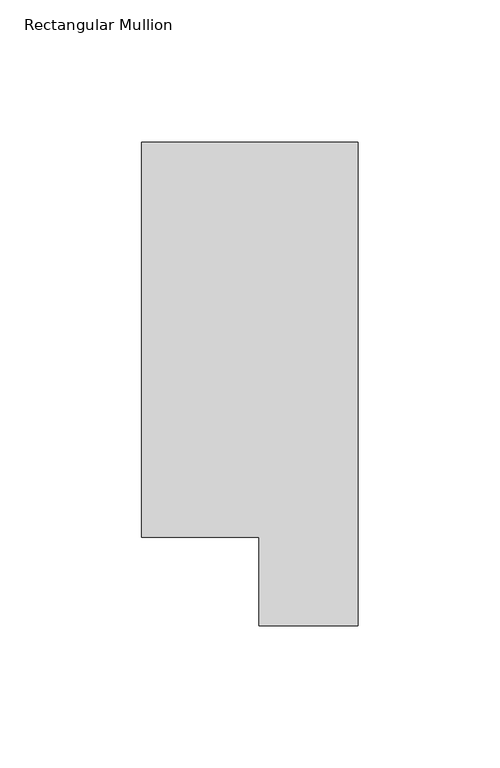
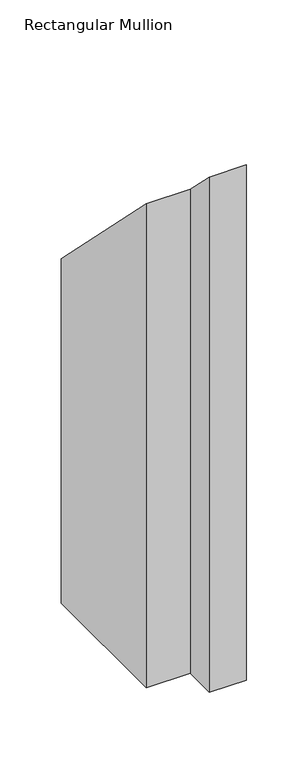
"""IFC4 building model written with IfcOpenShell, lengths in millimetres: member geometry, Rectangular Mullion."""

from ifc_helpers import new_model, si_unit, origin, place, context, project, spatial, faceted_brep, source, transform, mapped, element, save


def rectangular_mullion_44e4e432(model_context):
    return source(origin(), model_context, "Body", "Brep", [
        faceted_brep([(-76.2, 190.0007313, -533.36825), (0.0, 190.0007313, -533.36825), (0.0, 19.5667313, -533.36825), (-34.9123, 19.5667313, -533.36825), (-34.9123, 50.820278, -533.36825), (-76.2, 50.820278, -533.36825), (-76.2, 50.820278, -50.820278), (-76.2, 190.0007313, -190.0007312), (-34.9123, 50.820278, -50.820278), (-34.9123, 19.5667313, -19.5667313), (0.0, 19.5667313, -19.5667313), (0.0, 190.0007313, -190.0007312)], [[[0, 1, 2, 3, 4, 5]], [[6, 7, 0, 5]], [[8, 6, 5, 4]], [[9, 8, 4, 3]], [[10, 9, 3, 2]], [[11, 10, 2, 1]], [[7, 11, 1, 0]], [[7, 6, 8, 9, 10, 11]]]),
    ])


if __name__ == "__main__":
    model = new_model("IFC4")
    model_context = context("Model", 3, world=origin())
    ifc_project = project(units=[si_unit("LENGTHUNIT", "METRE", prefix="MILLI")], contexts=[model_context])
    site = spatial("IfcSite", under=ifc_project)
    building = spatial("IfcBuilding", under=site)
    placement = place(None, origin())
    rectangular_mullion_shape = rectangular_mullion_44e4e432(model_context)
    element("IfcMember", 1, ObjectType="Rectangular Mullion", at=placement, inside=building, context=model_context, shape_type="MappedRepresentation", body=[
        mapped(rectangular_mullion_shape, transform((0.0, 0.0, 0.0), x_axis=(1.0, 0.0, 0.0), y_axis=(0.0, 1.0, 0.0), z_axis=(0.0, 0.0, 1.0))),
    ])
    save(model, "model.ifc")
